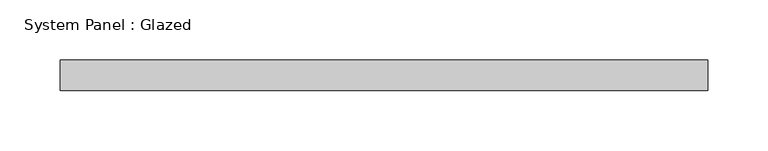
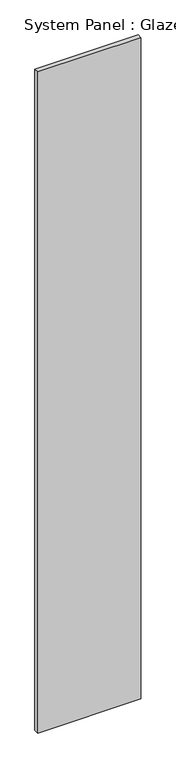
"""IFC4 building model written with IfcOpenShell, lengths in millimetres: plate geometry, System Panel : Glazed."""

from ifc_helpers import new_model, si_unit, origin, origin_with_axes, place, context, project, spatial, polyline, outline, extrude, source, transform, mapped, element, save


def system_panel_glazed_93eaf16d(model_context):
    return source(origin(), model_context, "Body", "SweptSolid", [
        extrude(outline(polyline([(269.7778324, 19.05), (-269.7778324, 19.05), (-269.7778324, 44.45), (269.7778324, 44.45), (269.7778324, 19.05)])), origin_with_axes(), (0.0, 0.0, 1.0), 3657.6),
    ])


if __name__ == "__main__":
    model = new_model("IFC4")
    model_context = context("Model", 3, world=origin())
    ifc_project = project(units=[si_unit("LENGTHUNIT", "METRE", prefix="MILLI")], contexts=[model_context])
    site = spatial("IfcSite", under=ifc_project)
    building = spatial("IfcBuilding", under=site)
    placement = place(None, origin())
    system_panel_glazed_shape = system_panel_glazed_93eaf16d(model_context)
    element("IfcPlate", 1, ObjectType="System Panel : Glazed", at=placement, inside=building, context=model_context, shape_type="MappedRepresentation", body=[
        mapped(system_panel_glazed_shape, transform((0.0, 0.0, 0.0), x_axis=(1.0, 0.0, 0.0), y_axis=(0.0, 1.0, 0.0), z_axis=(0.0, 0.0, 1.0))),
    ])
    save(model, "model.ifc")
